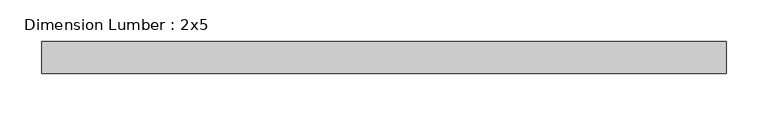
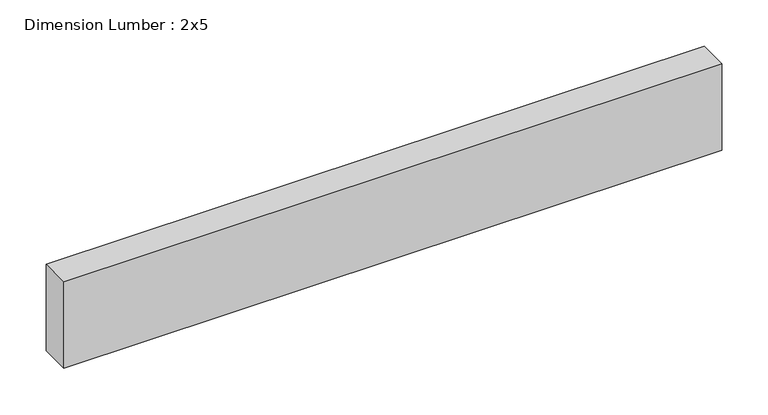
"""IFC4 building model written with IfcOpenShell, lengths in millimetres: beam geometry, Dimension Lumber : 2x5."""

from ifc_helpers import new_model, si_unit, frame, origin, place, context, project, spatial, polyline, outline, extrude, source, transform, mapped, element, save


def dimension_lumber_2x5_fb82ccc5(model_context):
    return source(origin(), model_context, "Body", "SweptSolid", [
        extrude(outline(polyline([(410.2574657, 19.05), (410.2574657, -19.05), (-410.2574657, -19.05), (-410.2574657, 19.05), (410.2574657, 19.05)])), frame((0.0, 0.0, -57.15), z_axis=(0.0, 0.0, 1.0), x_axis=(1.0, 0.0, 0.0)), (0.0, 0.0, 1.0), 114.3),
    ])


if __name__ == "__main__":
    model = new_model("IFC4")
    model_context = context("Model", 3, world=origin())
    ifc_project = project(units=[si_unit("LENGTHUNIT", "METRE", prefix="MILLI")], contexts=[model_context])
    site = spatial("IfcSite", under=ifc_project)
    building = spatial("IfcBuilding", under=site)
    placement = place(None, origin())
    dimension_lumber_2x5_shape = dimension_lumber_2x5_fb82ccc5(model_context)
    element("IfcBeam", 1, ObjectType="Dimension Lumber : 2x5", at=placement, inside=building, context=model_context, shape_type="MappedRepresentation", body=[
        mapped(dimension_lumber_2x5_shape, transform((0.0, 0.0, 0.0), x_axis=(1.0, 0.0, 0.0), y_axis=(0.0, 1.0, 0.0), z_axis=(0.0, 0.0, 1.0))),
    ])
    save(model, "model.ifc")
